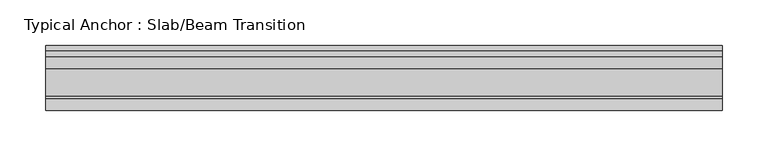
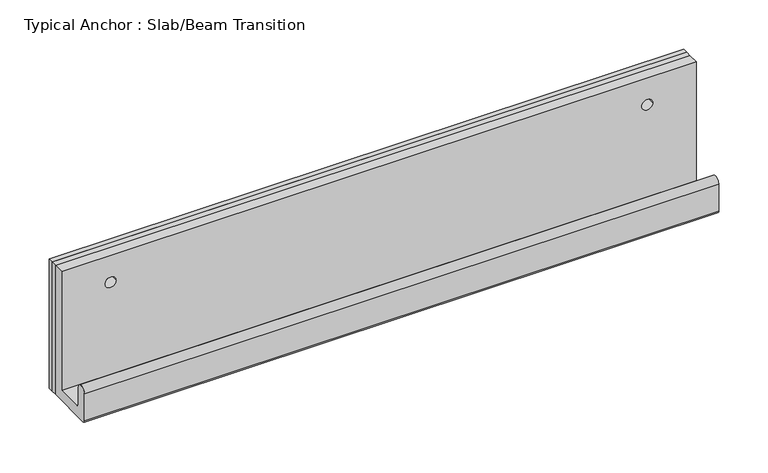
"""IFC4 building model written with IfcOpenShell, lengths in millimetres: fastener geometry, Typical Anchor : Slab/Beam Transition."""

from ifc_helpers import new_model, si_unit, frame, origin, origin_with_axes, place, context, project, spatial, polyline, circle_curve, outline, extrude, source, transform, mapped, element, save
from ifc_brep_helpers import plane_surface, cylinder_surface, revolved_surface, advanced_brep


def typical_anchor_slab_beam_transition_593a78fb(model_context):
    return source(origin(), model_context, "Body", "SolidModel", [
        advanced_brep(
        [(-320.675, -12.7, 127.0), (-320.675, -25.4, 127.0), (-307.975, -25.4, 127.0), (-307.975, -12.7, 127.0), (371.475, -12.7, 160.3375), (371.475, -25.4, 160.3375), (371.475, -25.4, 12.7), (371.475, -55.5625, 12.7), (371.475, -58.7375, 15.875), (371.475, -58.7375, 36.5125), (371.475, -71.4375, 36.5125), (371.475, -71.4375, 3.175), (371.475, -68.2625, 0.0), (371.475, -12.7, 0.0), (-371.475, -12.7, 160.3375), (-371.475, -12.7, 0.0), (-371.475, -68.2625, 0.0), (-371.475, -71.4375, 3.175), (-371.475, -71.4375, 36.5125), (-371.475, -58.7375, 36.5125), (-371.475, -58.7375, 15.875), (-371.475, -55.5625, 12.7), (-371.475, -25.4, 12.7), (-371.475, -25.4, 160.3375), (307.975, -12.7, 127.0), (307.975, -25.4, 127.0), (320.675, -25.4, 127.0), (320.675, -12.7, 127.0)],
        [
            (0, 1),
            (1, 2, circle_curve(frame((-314.325, -25.4, 127.0), z_axis=(0.0, -1.0, 0.0), x_axis=(1.0, 0.0, 0.0)), 6.35)),
            (2, 3),
            (3, 0, circle_curve(frame((-314.325, -12.7, 127.0), z_axis=(0.0, 1.0, 0.0), x_axis=(1.0, 0.0, 0.0)), 6.35)),
            (0, 3, circle_curve(frame((-314.325, -12.7, 127.0), z_axis=(0.0, 1.0, 0.0), x_axis=(1.0, 0.0, 0.0)), 6.35)),
            (2, 1, circle_curve(frame((-314.325, -25.4, 127.0), z_axis=(0.0, -1.0, 0.0), x_axis=(1.0, 0.0, 0.0)), 6.35)),
            (4, 5),
            (5, 6),
            (6, 7),
            (7, 8, circle_curve(frame((371.475, -55.5625, 15.875), z_axis=(-1.0, 0.0, 0.0), x_axis=(0.0, -1.0, 0.0)), 3.175)),
            (8, 9),
            (9, 10, circle_curve(frame((371.475, -65.0875, 36.5125), z_axis=(1.0, 0.0, 0.0), x_axis=(0.0, -1.0, 0.0)), 6.35)),
            (10, 11),
            (11, 12, circle_curve(frame((371.475, -68.2625, 3.175), z_axis=(1.0, 0.0, 0.0), x_axis=(0.0, -1.0, 0.0)), 3.175)),
            (12, 13),
            (13, 4),
            (14, 15),
            (15, 16),
            (16, 17, circle_curve(frame((-371.475, -68.2625, 3.175), z_axis=(-1.0, 0.0, 0.0), x_axis=(0.0, -1.0, 0.0)), 3.175)),
            (17, 18),
            (18, 19, circle_curve(frame((-371.475, -65.0875, 36.5125), z_axis=(-1.0, 0.0, 0.0), x_axis=(0.0, -1.0, 0.0)), 6.35)),
            (19, 20),
            (20, 21, circle_curve(frame((-371.475, -55.5625, 15.875), z_axis=(1.0, 0.0, 0.0), x_axis=(0.0, -1.0, 0.0)), 3.175)),
            (21, 22),
            (22, 23),
            (23, 14),
            (4, 14),
            (23, 5),
            (24, 25),
            (25, 26, circle_curve(frame((314.325, -25.4, 127.0), z_axis=(0.0, -1.0, 0.0), x_axis=(-1.0, 0.0, 0.0)), 6.35)),
            (26, 27),
            (27, 24, circle_curve(frame((314.325, -12.7, 127.0), z_axis=(0.0, 1.0, 0.0), x_axis=(-1.0, 0.0, 0.0)), 6.35)),
            (24, 27, circle_curve(frame((314.325, -12.7, 127.0), z_axis=(0.0, 1.0, 0.0), x_axis=(-1.0, 0.0, 0.0)), 6.35)),
            (26, 25, circle_curve(frame((314.325, -25.4, 127.0), z_axis=(0.0, -1.0, 0.0), x_axis=(-1.0, 0.0, 0.0)), 6.35)),
            (22, 6),
            (21, 7),
            (20, 8),
            (19, 9),
            (18, 10),
            (17, 11),
            (16, 12),
            (15, 13),
        ],
        [
            revolved_surface(polyline([(-307.97499999999997, -25.400000000000006, 127.0), (-307.97499999999997, -12.699999999999989, 127.0)]), (-314.325, 176.9675317, 127.0), (0.0, -1.0, 0.0)),
            plane_surface(frame((371.475, -25.4, 160.3375), z_axis=(1.0, 0.0, 0.0), x_axis=(0.0, -1.0, 0.0))),
            plane_surface(frame((-371.475, -25.4, 160.3375), z_axis=(-1.0, 0.0, 0.0), x_axis=(0.0, 1.0, 0.0))),
            plane_surface(frame((371.475, -12.7, 160.3375), z_axis=(0.0, 0.0, 1.0), x_axis=(-1.0, 0.0, 0.0))),
            revolved_surface(polyline([(307.97499999999997, -25.400000000000006, 127.0), (307.97499999999997, -12.699999999999989, 127.0)]), (314.325, 176.9675317, 127.0), (0.0, -1.0, 0.0)),
            plane_surface(frame((371.475, -25.4, 160.3375), z_axis=(0.0, -1.0, 0.0), x_axis=(-1.0, 0.0, 0.0))),
            plane_surface(frame((371.475, -25.4, 12.7), z_axis=(0.0, 0.0, 1.0), x_axis=(-1.0, 0.0, 0.0))),
            revolved_surface(polyline([(-371.475, -58.7375, 15.875), (371.475, -58.7375, 15.875)]), (-371.475, -55.5625, 15.875), (-1.0, 0.0, 0.0)),
            plane_surface(frame((371.475, -58.7375, 15.875), z_axis=(0.0, 1.0, 0.0), x_axis=(-1.0, 0.0, 0.0))),
            cylinder_surface(frame((-371.475, -65.0875, 36.5125), z_axis=(1.0, 0.0, 0.0), x_axis=(0.0, -1.0, 0.0)), 6.35),
            plane_surface(frame((371.475, -71.4375, 36.5125), z_axis=(0.0, -1.0, 0.0), x_axis=(-1.0, 0.0, 0.0))),
            cylinder_surface(frame((-371.475, -68.2625, 3.175), z_axis=(1.0, 0.0, 0.0), x_axis=(0.0, -1.0, 0.0)), 3.175),
            plane_surface(frame((371.475, -68.2625, 0.0), z_axis=(0.0, 0.0, -1.0), x_axis=(-1.0, 0.0, 0.0))),
            plane_surface(frame((371.475, -12.7, 0.0), z_axis=(0.0, 1.0, 0.0), x_axis=(-1.0, 0.0, 0.0))),
        ],
        [
            (0, [[1, 2, 3, 4]]),
            (0, [[-1, 5, -3, 6]]),
            (1, [[7, 8, 9, 10, 11, 12, 13, 14, 15, 16]]),
            (2, [[17, 18, 19, 20, 21, 22, 23, 24, 25, 26]]),
            (3, [[-7, 27, -26, 28]]),
            (4, [[29, 30, 31, 32]]),
            (4, [[-29, 33, -31, 34]]),
            (5, [[-8, -28, -25, 35], [-2, -6], [-30, -34]]),
            (6, [[-9, -35, -24, 36]]),
            (7, [[-10, -36, -23, 37]]),
            (8, [[-11, -37, -22, 38]]),
            (9, [[-12, -38, -21, 39]]),
            (10, [[-13, -39, -20, 40]]),
            (11, [[-14, -40, -19, 41]]),
            (12, [[-15, -41, -18, 42]]),
            (13, [[-16, -42, -17, -27], [-4, -5], [-32, -33]]),
        ],
    ),
        extrude(outline(polyline([(371.475, -6.35), (371.475, -12.7), (-371.475, -12.7), (-371.475, -6.35), (371.475, -6.35)])), origin_with_axes(), (0.0, 0.0, 1.0), 160.3375),
        extrude(outline(polyline([(371.475, 0.0), (371.475, -6.35), (-371.475, -6.35), (-371.475, 0.0), (371.475, 0.0)])), origin_with_axes(), (0.0, 0.0, 1.0), 160.3375),
    ])


if __name__ == "__main__":
    model = new_model("IFC4")
    model_context = context("Model", 3, world=origin())
    ifc_project = project(units=[si_unit("LENGTHUNIT", "METRE", prefix="MILLI")], contexts=[model_context])
    site = spatial("IfcSite", under=ifc_project)
    building = spatial("IfcBuilding", under=site)
    placement = place(None, origin())
    typical_anchor_slab_beam_transition_shape = typical_anchor_slab_beam_transition_593a78fb(model_context)
    element("IfcFastener", 1, ObjectType="Typical Anchor : Slab/Beam Transition", at=placement, inside=building, context=model_context, shape_type="MappedRepresentation", body=[
        mapped(typical_anchor_slab_beam_transition_shape, transform((0.0, 0.0, 0.0), x_axis=(1.0, 0.0, 0.0), y_axis=(0.0, 1.0, 0.0), z_axis=(0.0, 0.0, 1.0))),
    ])
    save(model, "model.ifc")
